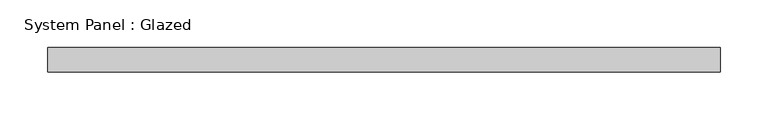
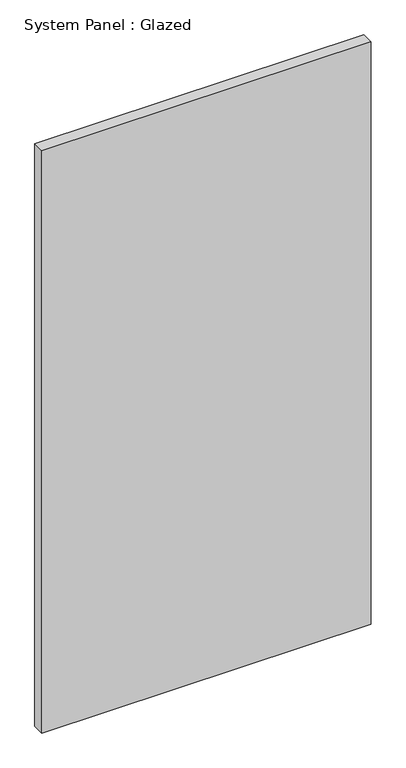
"""IFC4 building model written with IfcOpenShell, lengths in millimetres: plate geometry, System Panel : Glazed."""

from ifc_helpers import new_model, si_unit, origin, origin_with_axes, place, context, project, spatial, polyline, outline, extrude, source, transform, mapped, element, save


def system_panel_glazed_bcb2dfea(model_context):
    return source(origin(), model_context, "Body", "SweptSolid", [
        extrude(outline(polyline([(351.6312735, -12.7), (-351.6312735, -12.7), (-351.6312735, 12.7), (351.6312735, 12.7), (351.6312735, -12.7)])), origin_with_axes(), (0.0, 0.0, 1.0), 1314.45),
    ])


if __name__ == "__main__":
    model = new_model("IFC4")
    model_context = context("Model", 3, world=origin())
    ifc_project = project(units=[si_unit("LENGTHUNIT", "METRE", prefix="MILLI")], contexts=[model_context])
    site = spatial("IfcSite", under=ifc_project)
    building = spatial("IfcBuilding", under=site)
    placement = place(None, origin())
    system_panel_glazed_shape = system_panel_glazed_bcb2dfea(model_context)
    element("IfcPlate", 1, ObjectType="System Panel : Glazed", at=placement, inside=building, context=model_context, shape_type="MappedRepresentation", body=[
        mapped(system_panel_glazed_shape, transform((0.0, 0.0, 0.0), x_axis=(1.0, 0.0, 0.0), y_axis=(0.0, 1.0, 0.0), z_axis=(0.0, 0.0, 1.0))),
    ])
    save(model, "model.ifc")
